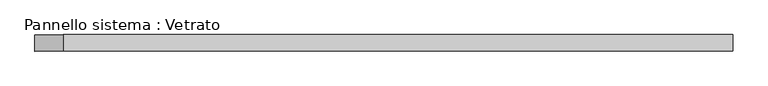
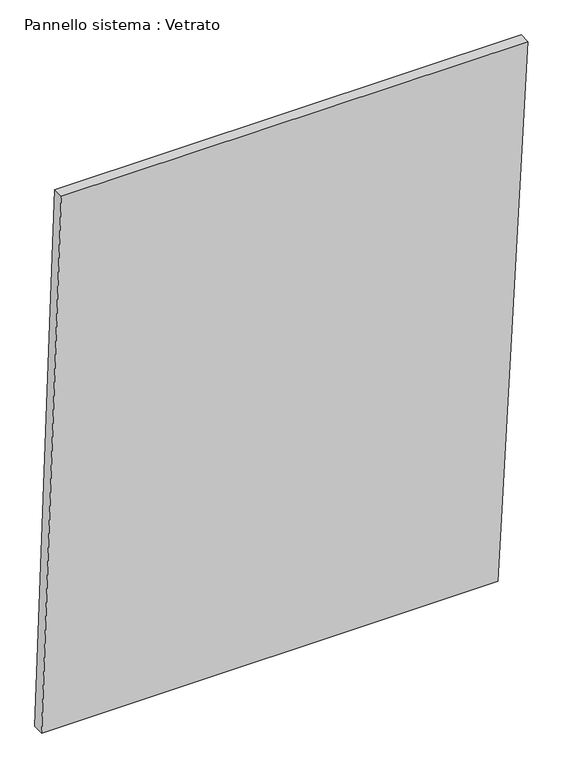
"""IFC4 building model written with IfcOpenShell, lengths in millimetres: plate geometry, Pannello sistema : Vetrato."""

import ifcopenshell
import ifcopenshell.guid

model = None  # the IFC model being written
_history = None  # IfcOwnerHistory: only IFC2X3 demands one
_inside = {}  # id of a spatial element -> (the spatial element, [elements in it])
_under = {}  # id of a project, library or spatial element -> (it, [spatial elements below it])
_declared = {}  # id of a project -> (the project, [libraries it declares])
_typed = {}  # id of a type object -> (the type object, [elements of that type])
_made_of = {}  # id of a material, layer set ... -> (it, [elements and type objects made of it])


def new_model(schema):
    """Start an empty IFC model of exactly this schema.

    Asked for "IFC4X3", IfcOpenShell would pick the latest addendum, in which some entities
    have other attributes; the version numbers below select the first issue.
    IFC2X3 requires an IfcOwnerHistory on every rooted entity: one is made here for all.
    """
    global model, _history
    if schema == "IFC4X3":
        model = ifcopenshell.file(schema_version=(4, 3, 0, 0))
    else:
        model = ifcopenshell.file(schema=schema)
    _inside.clear()
    _under.clear()
    _declared.clear()
    _typed.clear()
    _made_of.clear()
    _history = None
    if model.schema == "IFC2X3":
        org = make("IfcOrganization", Name="unknown")
        user = make(
            "IfcPersonAndOrganization",
            ThePerson=make("IfcPerson", FamilyName="unknown"),
            TheOrganization=org,
        )
        app = make(
            "IfcApplication",
            ApplicationDeveloper=org,
            Version="unknown",
            ApplicationFullName="unknown",
            ApplicationIdentifier="unknown",
        )
        _history = make(
            "IfcOwnerHistory",
            OwningUser=user,
            OwningApplication=app,
            ChangeAction="ADDED",
            CreationDate=0,
        )
    return model


def make(cls, **values):
    """One entity of the class cls with the attributes given. An attribute that is None is left unset."""
    return model.create_entity(
        cls, **{name: value for name, value in values.items() if value is not None}
    )


def rooted(cls, **values):
    """An entity with a GlobalId (a new one), such as an element, a storey or a relation."""
    return make(cls, GlobalId=ifcopenshell.guid.new(), OwnerHistory=_history, **values)


def si_unit(unit_type, name, prefix=None):
    """IfcSIUnit, for example si_unit("LENGTHUNIT", "METRE", prefix="MILLI")."""
    return make("IfcSIUnit", UnitType=unit_type, Prefix=prefix, Name=name)


def assignment(units):
    """IfcUnitAssignment: the units of a project."""
    return None if units is None else make("IfcUnitAssignment", Units=units)


def point(xyz):
    """IfcCartesianPoint."""
    return None if xyz is None else make("IfcCartesianPoint", Coordinates=xyz)


def direction(xyz):
    """IfcDirection."""
    return None if xyz is None else make("IfcDirection", DirectionRatios=xyz)


def frame(location, z_axis=None, x_axis=None):
    """IfcAxis2Placement3D, a coordinate frame: its origin and axes. An axis left out is left unset."""
    return make(
        "IfcAxis2Placement3D",
        Location=point(location),
        Axis=direction(z_axis),
        RefDirection=direction(x_axis),
    )


def origin():
    """The frame at (0, 0, 0) with its axes left unset."""
    return frame((0.0, 0.0, 0.0))


def place(relative_to, where):
    """IfcLocalPlacement: puts the frame where relative to a parent placement (None: the world)."""
    return make(
        "IfcLocalPlacement", PlacementRelTo=relative_to, RelativePlacement=where
    )


def context(
    kind, dimensions, precision=None, world=None, true_north=None, identifier=None
):
    """IfcGeometricRepresentationContext, for example the 3D "Model" context."""
    return make(
        "IfcGeometricRepresentationContext",
        ContextIdentifier=identifier,
        ContextType=kind,
        CoordinateSpaceDimension=dimensions,
        Precision=precision,
        WorldCoordinateSystem=world,
        TrueNorth=true_north,
    )


def project(units=None, contexts=None):
    """IfcProject with its units and contexts."""
    return rooted(
        "IfcProject",
        Name="project",
        RepresentationContexts=contexts,
        UnitsInContext=assignment(units),
    )


def spatial(cls, under=None, at=None, **own):
    """A site, building, storey or space (cls), placed at a placement, below another one or the project."""
    s = rooted(cls, ObjectPlacement=at, **own)
    if under is not None:
        _under.setdefault(under.id(), (under, []))[1].append(s)
    return s


def polyline(points):
    """IfcPolyline through the points."""
    return make("IfcPolyline", Points=[point(p) for p in points])


def outline(outer, holes=None, kind="AREA"):
    """IfcArbitraryClosedProfileDef: a profile drawn as a closed curve; with holes, ...WithVoids."""
    if holes is None:
        return make("IfcArbitraryClosedProfileDef", ProfileType=kind, OuterCurve=outer)
    return make(
        "IfcArbitraryProfileDefWithVoids",
        ProfileType=kind,
        OuterCurve=outer,
        InnerCurves=holes,
    )


def extrude(swept, where, along, depth):
    """IfcExtrudedAreaSolid: the profile swept, set in the frame where, extruded along a direction by depth."""
    return make(
        "IfcExtrudedAreaSolid",
        SweptArea=swept,
        Position=where,
        ExtrudedDirection=direction(along),
        Depth=depth,
    )


def shape(context_of_items, identifier, shape_type, items):
    """IfcShapeRepresentation: the items that make up one representation, for example the "Body"."""
    return make(
        "IfcShapeRepresentation",
        ContextOfItems=context_of_items,
        RepresentationIdentifier=identifier,
        RepresentationType=shape_type,
        Items=items,
    )


def source(mapping_origin, context_of_items, identifier, shape_type, items):
    """IfcRepresentationMap: a shape defined once, which mapped items show again and again."""
    return make(
        "IfcRepresentationMap",
        MappingOrigin=mapping_origin,
        MappedRepresentation=shape(context_of_items, identifier, shape_type, items),
    )


def transform(
    local_origin,
    x_axis=None,
    y_axis=None,
    z_axis=None,
    scale=None,
    scale2=None,
    scale3=None,
    uniform=True,
):
    """IfcCartesianTransformationOperator3D, or its non-uniform kind. x_axis, y_axis, z_axis: its Axis1, 2, 3."""
    if uniform:
        return make(
            "IfcCartesianTransformationOperator3D",
            Axis1=direction(x_axis),
            Axis2=direction(y_axis),
            LocalOrigin=point(local_origin),
            Scale=scale,
            Axis3=direction(z_axis),
        )
    return make(
        "IfcCartesianTransformationOperator3DnonUniform",
        Axis1=direction(x_axis),
        Axis2=direction(y_axis),
        LocalOrigin=point(local_origin),
        Scale=scale,
        Axis3=direction(z_axis),
        Scale2=scale2,
        Scale3=scale3,
    )


def mapped(mapping_source, mapping_target):
    """IfcMappedItem: shows the shape of a source again, moved by a transform."""
    return make(
        "IfcMappedItem", MappingSource=mapping_source, MappingTarget=mapping_target
    )


def made_of(thing, what):
    """Note that an element or type object is made of a material, layer set ...; save() writes the relation."""
    if what is not None:
        _made_of.setdefault(what.id(), (what, []))[1].append(thing)
    return thing


def element(
    cls,
    number,
    at=None,
    inside=None,
    cuts=None,
    type_object=None,
    material=None,
    context=None,
    identifier="Body",
    shape_type=None,
    held_by="IfcProductDefinitionShape",
    body=None,
    shapes=None,
    **own,
):
    """One element of the class cls, such as IfcWall. Its Tag is "e" and its number.

    at: its placement. inside: the storey or other place that contains it. cuts: it is an
    opening in that element (IfcRelVoidsElement). A single representation is given by context,
    identifier, shape_type and body (its items); several are given by shapes. held_by: the class
    of the entity that holds the representations. save() writes the other relations.
    """
    e = rooted(cls, Tag="e%d" % number, ObjectPlacement=at, **own)
    if body is not None:
        shapes = [shape(context, identifier, shape_type, body)]
    if shapes is not None:
        e.Representation = make(held_by, Representations=shapes)
    if inside is not None:
        _inside.setdefault(inside.id(), (inside, []))[1].append(e)
    if cuts is not None:
        rooted(
            "IfcRelVoidsElement", RelatingBuildingElement=cuts, RelatedOpeningElement=e
        )
    if type_object is not None:
        _typed.setdefault(type_object.id(), (type_object, []))[1].append(e)
    return made_of(e, material)


def aggregate(whole, parts):
    """IfcRelAggregates: a whole, such as a stair, and the parts it consists of."""
    return rooted("IfcRelAggregates", RelatingObject=whole, RelatedObjects=parts)


def save(model, path):
    """Write the relations noted so far, then the file.

    IfcRelAggregates (storeys below a building ...), IfcRelContainedInSpatialStructure (elements
    in a storey), IfcRelDefinesByType, IfcRelAssociatesMaterial and IfcRelDeclares: one each for
    every whole, place, type object, material and project.
    """
    for whole, parts in _under.values():
        aggregate(whole, parts)
    for where, things in _inside.values():
        rooted(
            "IfcRelContainedInSpatialStructure",
            RelatedElements=things,
            RelatingStructure=where,
        )
    for kind, things in _typed.values():
        rooted("IfcRelDefinesByType", RelatedObjects=things, RelatingType=kind)
    for what, things in _made_of.values():
        rooted("IfcRelAssociatesMaterial", RelatedObjects=things, RelatingMaterial=what)
    for by, libraries in _declared.values():
        rooted("IfcRelDeclares", RelatingContext=by, RelatedDefinitions=libraries)
    model.write(path)


def pannello_sistema_vetrato_f7c8ae5f(model_context):
    return source(origin(), model_context, "Body", "SweptSolid", [
        extrude(outline(polyline([(0.0, -633.4787467), (1.0997499, 555.4351595), (1459.253412, 633.4787467), (1459.253412, -582.2766196), (0.0, -633.4787467)])), frame((0.0, -15.0, 0.0), z_axis=(0.0, 1.0, 0.0), x_axis=(0.0, 0.0, 1.0)), (0.0, 0.0, 1.0), 30.0),
    ])


if __name__ == "__main__":
    model = new_model("IFC4")
    model_context = context("Model", 3, world=origin())
    ifc_project = project(units=[si_unit("LENGTHUNIT", "METRE", prefix="MILLI")], contexts=[model_context])
    site = spatial("IfcSite", under=ifc_project)
    building = spatial("IfcBuilding", under=site)
    placement = place(None, origin())
    pannello_sistema_vetrato_shape = pannello_sistema_vetrato_f7c8ae5f(model_context)
    element("IfcPlate", 1, ObjectType="Pannello sistema : Vetrato", at=placement, inside=building, context=model_context, shape_type="MappedRepresentation", body=[
        mapped(pannello_sistema_vetrato_shape, transform((0.0, 0.0, 0.0), x_axis=(1.0, 0.0, 0.0), y_axis=(0.0, 1.0, 0.0), z_axis=(0.0, 0.0, 1.0))),
    ])
    save(model, "model.ifc")
